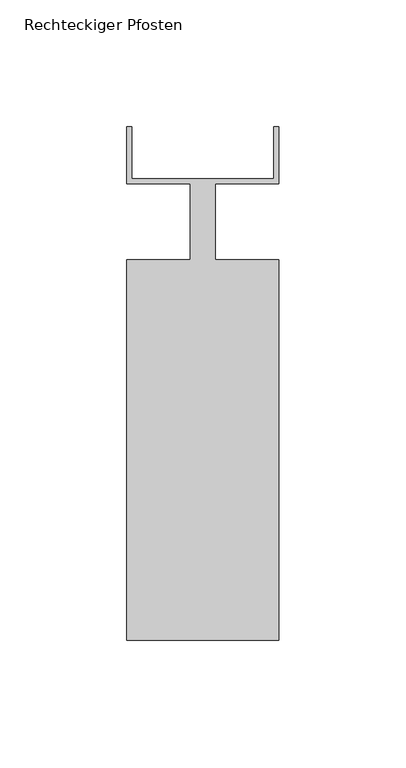
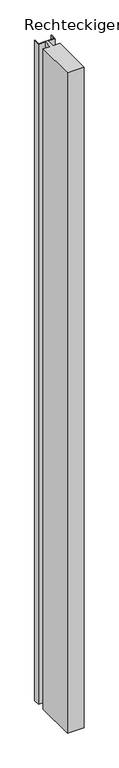
"""IFC4 building model written with IfcOpenShell, lengths in millimetres: member geometry, Rechteckiger Pfosten."""

from ifc_helpers import new_model, si_unit, frame, origin, place, context, project, spatial, polyline, outline, extrude, source, transform, mapped, element, save


def rechteckiger_pfosten_ee76bb9f(model_context):
    return source(origin(), model_context, "Body", "SweptSolid", [
        extrude(outline(polyline([(28.0, 37.5), (30.0, 37.5), (30.0, 15.0), (5.0, 15.0), (5.0, -15.0), (30.0, -15.0), (30.0, -165.0), (-30.0, -165.0), (-30.0, -15.0), (-5.0, -15.0), (-5.0, 15.0), (-30.0, 15.0), (-30.0, 37.5), (-28.0, 37.5), (-28.0, 17.0), (28.0, 17.0), (28.0, 37.5)])), frame((0.0, 0.0, -2500.0), z_axis=(0.0, 0.0, 1.0), x_axis=(1.0, 0.0, 0.0)), (0.0, 0.0, 1.0), 2500.0),
    ])


if __name__ == "__main__":
    model = new_model("IFC4")
    model_context = context("Model", 3, world=origin())
    ifc_project = project(units=[si_unit("LENGTHUNIT", "METRE", prefix="MILLI")], contexts=[model_context])
    site = spatial("IfcSite", under=ifc_project)
    building = spatial("IfcBuilding", under=site)
    placement = place(None, origin())
    rechteckiger_pfosten_shape = rechteckiger_pfosten_ee76bb9f(model_context)
    element("IfcMember", 1, ObjectType="Rechteckiger Pfosten", at=placement, inside=building, context=model_context, shape_type="MappedRepresentation", body=[
        mapped(rechteckiger_pfosten_shape, transform((0.0, 0.0, 0.0), x_axis=(1.0, 0.0, 0.0), y_axis=(0.0, 1.0, 0.0), z_axis=(0.0, 0.0, 1.0))),
    ])
    save(model, "model.ifc")
